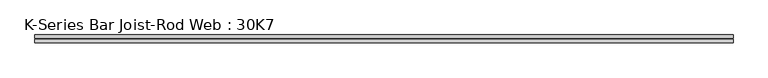
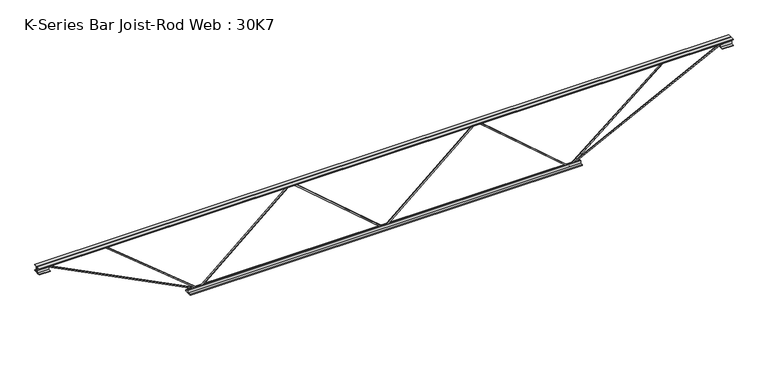
"""IFC4 building model written with IfcOpenShell, lengths in millimetres: beam geometry, K-Series Bar Joist-Rod Web : 30K7."""

import ifcopenshell
import ifcopenshell.guid

model = None  # the IFC model being written
_history = None  # IfcOwnerHistory: only IFC2X3 demands one
_inside = {}  # id of a spatial element -> (the spatial element, [elements in it])
_under = {}  # id of a project, library or spatial element -> (it, [spatial elements below it])
_declared = {}  # id of a project -> (the project, [libraries it declares])
_typed = {}  # id of a type object -> (the type object, [elements of that type])
_made_of = {}  # id of a material, layer set ... -> (it, [elements and type objects made of it])


def new_model(schema):
    """Start an empty IFC model of exactly this schema.

    Asked for "IFC4X3", IfcOpenShell would pick the latest addendum, in which some entities
    have other attributes; the version numbers below select the first issue.
    IFC2X3 requires an IfcOwnerHistory on every rooted entity: one is made here for all.
    """
    global model, _history
    if schema == "IFC4X3":
        model = ifcopenshell.file(schema_version=(4, 3, 0, 0))
    else:
        model = ifcopenshell.file(schema=schema)
    _inside.clear()
    _under.clear()
    _declared.clear()
    _typed.clear()
    _made_of.clear()
    _history = None
    if model.schema == "IFC2X3":
        org = make("IfcOrganization", Name="unknown")
        user = make(
            "IfcPersonAndOrganization",
            ThePerson=make("IfcPerson", FamilyName="unknown"),
            TheOrganization=org,
        )
        app = make(
            "IfcApplication",
            ApplicationDeveloper=org,
            Version="unknown",
            ApplicationFullName="unknown",
            ApplicationIdentifier="unknown",
        )
        _history = make(
            "IfcOwnerHistory",
            OwningUser=user,
            OwningApplication=app,
            ChangeAction="ADDED",
            CreationDate=0,
        )
    return model


def make(cls, **values):
    """One entity of the class cls with the attributes given. An attribute that is None is left unset."""
    return model.create_entity(
        cls, **{name: value for name, value in values.items() if value is not None}
    )


def rooted(cls, **values):
    """An entity with a GlobalId (a new one), such as an element, a storey or a relation."""
    return make(cls, GlobalId=ifcopenshell.guid.new(), OwnerHistory=_history, **values)


def si_unit(unit_type, name, prefix=None):
    """IfcSIUnit, for example si_unit("LENGTHUNIT", "METRE", prefix="MILLI")."""
    return make("IfcSIUnit", UnitType=unit_type, Prefix=prefix, Name=name)


def assignment(units):
    """IfcUnitAssignment: the units of a project."""
    return None if units is None else make("IfcUnitAssignment", Units=units)


def point(xyz):
    """IfcCartesianPoint."""
    return None if xyz is None else make("IfcCartesianPoint", Coordinates=xyz)


def direction(xyz):
    """IfcDirection."""
    return None if xyz is None else make("IfcDirection", DirectionRatios=xyz)


def frame(location, z_axis=None, x_axis=None):
    """IfcAxis2Placement3D, a coordinate frame: its origin and axes. An axis left out is left unset."""
    return make(
        "IfcAxis2Placement3D",
        Location=point(location),
        Axis=direction(z_axis),
        RefDirection=direction(x_axis),
    )


def origin():
    """The frame at (0, 0, 0) with its axes left unset."""
    return frame((0.0, 0.0, 0.0))


def place(relative_to, where):
    """IfcLocalPlacement: puts the frame where relative to a parent placement (None: the world)."""
    return make(
        "IfcLocalPlacement", PlacementRelTo=relative_to, RelativePlacement=where
    )


def context(
    kind, dimensions, precision=None, world=None, true_north=None, identifier=None
):
    """IfcGeometricRepresentationContext, for example the 3D "Model" context."""
    return make(
        "IfcGeometricRepresentationContext",
        ContextIdentifier=identifier,
        ContextType=kind,
        CoordinateSpaceDimension=dimensions,
        Precision=precision,
        WorldCoordinateSystem=world,
        TrueNorth=true_north,
    )


def project(units=None, contexts=None):
    """IfcProject with its units and contexts."""
    return rooted(
        "IfcProject",
        Name="project",
        RepresentationContexts=contexts,
        UnitsInContext=assignment(units),
    )


def spatial(cls, under=None, at=None, **own):
    """A site, building, storey or space (cls), placed at a placement, below another one or the project."""
    s = rooted(cls, ObjectPlacement=at, **own)
    if under is not None:
        _under.setdefault(under.id(), (under, []))[1].append(s)
    return s


def polyline(points):
    """IfcPolyline through the points."""
    return make("IfcPolyline", Points=[point(p) for p in points])


def outline(outer, holes=None, kind="AREA"):
    """IfcArbitraryClosedProfileDef: a profile drawn as a closed curve; with holes, ...WithVoids."""
    if holes is None:
        return make("IfcArbitraryClosedProfileDef", ProfileType=kind, OuterCurve=outer)
    return make(
        "IfcArbitraryProfileDefWithVoids",
        ProfileType=kind,
        OuterCurve=outer,
        InnerCurves=holes,
    )


def extrude(swept, where, along, depth):
    """IfcExtrudedAreaSolid: the profile swept, set in the frame where, extruded along a direction by depth."""
    return make(
        "IfcExtrudedAreaSolid",
        SweptArea=swept,
        Position=where,
        ExtrudedDirection=direction(along),
        Depth=depth,
    )


def shape(context_of_items, identifier, shape_type, items):
    """IfcShapeRepresentation: the items that make up one representation, for example the "Body"."""
    return make(
        "IfcShapeRepresentation",
        ContextOfItems=context_of_items,
        RepresentationIdentifier=identifier,
        RepresentationType=shape_type,
        Items=items,
    )


def source(mapping_origin, context_of_items, identifier, shape_type, items):
    """IfcRepresentationMap: a shape defined once, which mapped items show again and again."""
    return make(
        "IfcRepresentationMap",
        MappingOrigin=mapping_origin,
        MappedRepresentation=shape(context_of_items, identifier, shape_type, items),
    )


def transform(
    local_origin,
    x_axis=None,
    y_axis=None,
    z_axis=None,
    scale=None,
    scale2=None,
    scale3=None,
    uniform=True,
):
    """IfcCartesianTransformationOperator3D, or its non-uniform kind. x_axis, y_axis, z_axis: its Axis1, 2, 3."""
    if uniform:
        return make(
            "IfcCartesianTransformationOperator3D",
            Axis1=direction(x_axis),
            Axis2=direction(y_axis),
            LocalOrigin=point(local_origin),
            Scale=scale,
            Axis3=direction(z_axis),
        )
    return make(
        "IfcCartesianTransformationOperator3DnonUniform",
        Axis1=direction(x_axis),
        Axis2=direction(y_axis),
        LocalOrigin=point(local_origin),
        Scale=scale,
        Axis3=direction(z_axis),
        Scale2=scale2,
        Scale3=scale3,
    )


def mapped(mapping_source, mapping_target):
    """IfcMappedItem: shows the shape of a source again, moved by a transform."""
    return make(
        "IfcMappedItem", MappingSource=mapping_source, MappingTarget=mapping_target
    )


def made_of(thing, what):
    """Note that an element or type object is made of a material, layer set ...; save() writes the relation."""
    if what is not None:
        _made_of.setdefault(what.id(), (what, []))[1].append(thing)
    return thing


def element(
    cls,
    number,
    at=None,
    inside=None,
    cuts=None,
    type_object=None,
    material=None,
    context=None,
    identifier="Body",
    shape_type=None,
    held_by="IfcProductDefinitionShape",
    body=None,
    shapes=None,
    **own,
):
    """One element of the class cls, such as IfcWall. Its Tag is "e" and its number.

    at: its placement. inside: the storey or other place that contains it. cuts: it is an
    opening in that element (IfcRelVoidsElement). A single representation is given by context,
    identifier, shape_type and body (its items); several are given by shapes. held_by: the class
    of the entity that holds the representations. save() writes the other relations.
    """
    e = rooted(cls, Tag="e%d" % number, ObjectPlacement=at, **own)
    if body is not None:
        shapes = [shape(context, identifier, shape_type, body)]
    if shapes is not None:
        e.Representation = make(held_by, Representations=shapes)
    if inside is not None:
        _inside.setdefault(inside.id(), (inside, []))[1].append(e)
    if cuts is not None:
        rooted(
            "IfcRelVoidsElement", RelatingBuildingElement=cuts, RelatedOpeningElement=e
        )
    if type_object is not None:
        _typed.setdefault(type_object.id(), (type_object, []))[1].append(e)
    return made_of(e, material)


def aggregate(whole, parts):
    """IfcRelAggregates: a whole, such as a stair, and the parts it consists of."""
    return rooted("IfcRelAggregates", RelatingObject=whole, RelatedObjects=parts)


def save(model, path):
    """Write the relations noted so far, then the file.

    IfcRelAggregates (storeys below a building ...), IfcRelContainedInSpatialStructure (elements
    in a storey), IfcRelDefinesByType, IfcRelAssociatesMaterial and IfcRelDeclares: one each for
    every whole, place, type object, material and project.
    """
    for whole, parts in _under.values():
        aggregate(whole, parts)
    for where, things in _inside.values():
        rooted(
            "IfcRelContainedInSpatialStructure",
            RelatedElements=things,
            RelatingStructure=where,
        )
    for kind, things in _typed.values():
        rooted("IfcRelDefinesByType", RelatedObjects=things, RelatingType=kind)
    for what, things in _made_of.values():
        rooted("IfcRelAssociatesMaterial", RelatedObjects=things, RelatingMaterial=what)
    for by, libraries in _declared.values():
        rooted("IfcRelDeclares", RelatingContext=by, RelatedDefinitions=libraries)
    model.write(path)


def k_series_bar_joist_rod_web_30k7_a2a009a7(model_context):
    return source(origin(), model_context, "Body", "SweptSolid", [
        extrude(outline(polyline([(-379.4125, 0.0), (-379.4125, 4.9447087), (369.8875, 873.9560434), (369.8875, 876.766626), (-379.4125, 1745.7779607), (-379.4125, 1750.7226694), (-369.8875, 1750.7226694), (-369.8875, 1749.3173781), (379.4125, 880.3060434), (379.4125, 870.416626), (-369.8875, 1.4052913), (-369.8875, 0.0), (-379.4125, 0.0)])), frame((0.0, -4.7625, 0.0), z_axis=(0.0, 1.0, 0.0), x_axis=(0.0, 0.0, 1.0)), (0.0, 0.0, 1.0), 9.525),
        extrude(outline(polyline([(-379.4125, -1750.7226694), (-379.4125, -1745.7779607), (369.8875, -876.766626), (369.8875, -873.9560434), (-379.4125, -4.9447087), (-379.4125, 0.0), (-369.8875, 0.0), (-369.8875, -1.4052913), (379.4125, -870.416626), (379.4125, -880.3060434), (-369.8875, -1749.3173781), (-369.8875, -1750.7226694), (-379.4125, -1750.7226694)])), frame((0.0, -4.7625, 0.0), z_axis=(0.0, 1.0, 0.0), x_axis=(0.0, 0.0, 1.0)), (0.0, 0.0, 1.0), 9.525),
        extrude(outline(polyline([(-4.7625, 381.0), (-4.7625, 349.25), (-11.1125, 349.25), (-11.1125, 374.65), (-36.5125, 374.65), (-36.5125, 381.0), (-4.7625, 381.0)])), frame((-3274.7226694, 0.0, 0.0), z_axis=(1.0, 0.0, 0.0), x_axis=(0.0, 1.0, 0.0)), (0.0, 0.0, 1.0), 6549.4453387),
        extrude(outline(polyline([(4.7625, 381.0), (36.5125, 381.0), (36.5125, 374.65), (11.1125, 374.65), (11.1125, 349.25), (4.7625, 349.25), (4.7625, 381.0)])), frame((-3274.7226694, 0.0, 0.0), z_axis=(1.0, 0.0, 0.0), x_axis=(0.0, 1.0, 0.0)), (0.0, 0.0, 1.0), 6549.4453387),
        extrude(outline(polyline([(4.7625, 317.5), (4.7625, 349.25), (11.1125, 349.25), (11.1125, 323.85), (36.5125, 323.85), (36.5125, 317.5), (4.7625, 317.5)])), frame((-3274.7226694, 0.0, 0.0), z_axis=(1.0, 0.0, 0.0), x_axis=(0.0, 1.0, 0.0)), (0.0, 0.0, 1.0), 101.6),
        extrude(outline(polyline([(-36.5125, 317.5), (-36.5125, 323.85), (-11.1125, 323.85), (-11.1125, 349.25), (-4.7625, 349.25), (-4.7625, 317.5), (-36.5125, 317.5)])), frame((-3274.7226694, 0.0, 0.0), z_axis=(1.0, 0.0, 0.0), x_axis=(0.0, 1.0, 0.0)), (0.0, 0.0, 1.0), 101.6),
        extrude(outline(polyline([(-4.7625, 317.5), (-36.5125, 317.5), (-36.5125, 323.85), (-11.1125, 323.85), (-11.1125, 349.25), (-4.7625, 349.25), (-4.7625, 317.5)])), frame((3173.1226694, 0.0, 0.0), z_axis=(1.0, 0.0, 0.0), x_axis=(0.0, 1.0, 0.0)), (0.0, 0.0, 1.0), 101.6),
        extrude(outline(polyline([(4.7625, 317.5), (4.7625, 349.25), (11.1125, 349.25), (11.1125, 323.85), (36.5125, 323.85), (36.5125, 317.5), (4.7625, 317.5)])), frame((3173.1226694, 0.0, 0.0), z_axis=(1.0, 0.0, 0.0), x_axis=(0.0, 1.0, 0.0)), (0.0, 0.0, 1.0), 101.6),
        extrude(outline(polyline([(-4.7625, -381.0), (-36.5125, -381.0), (-36.5125, -374.65), (-11.1125, -374.65), (-11.1125, -349.25), (-4.7625, -349.25), (-4.7625, -381.0)])), frame((-1852.3226694, 0.0, 0.0), z_axis=(1.0, 0.0, 0.0), x_axis=(0.0, 1.0, 0.0)), (0.0, 0.0, 1.0), 3704.6453387),
        extrude(outline(polyline([(4.7625, -381.0), (4.7625, -349.25), (11.1125, -349.25), (11.1125, -374.65), (36.5125, -374.65), (36.5125, -381.0), (4.7625, -381.0)])), frame((-1852.3226694, 0.0, 0.0), z_axis=(1.0, 0.0, 0.0), x_axis=(0.0, 1.0, 0.0)), (0.0, 0.0, 1.0), 3704.6453387),
        extrude(outline(polyline([(0.0, 9.525), (1596.011582, 9.525), (1596.011582, 0.0), (0.0, 0.0), (0.0, 9.525)])), frame((-3175.2827876, -4.7625, 345.0055571), z_axis=(0.4535681370653387, 0.0, 0.8912216026550738), x_axis=(0.8912216026550738, 0.0, -0.4535681370653387)), (0.0, 0.0, 1.0), 9.525),
        extrude(outline(polyline([(0.0, 9.525), (1135.9087447, 9.525), (1135.9087447, 0.0), (0.0, 0.0), (0.0, 9.525)])), frame((-2629.1190839, -4.7625, 345.5798915), z_axis=(0.6372871090076988, 0.0, 0.7706264598964984), x_axis=(0.7706264598964984, 0.0, -0.6372871090076988)), (0.0, 0.0, 1.0), 9.525),
        extrude(outline(polyline([(0.0, 9.525), (1596.011582, 9.525), (1596.011582, 0.0), (0.0, 0.0), (0.0, 9.525)])), frame((3175.2827876, 4.7625, 345.0055571), z_axis=(-0.4535681370653314, 0.0, 0.8912216026550775), x_axis=(-0.8912216026550775, 0.0, -0.4535681370653314)), (0.0, 0.0, 1.0), 9.525),
        extrude(outline(polyline([(0.0, 9.525), (1135.9087447, 9.525), (1135.9087447, 0.0), (0.0, 0.0), (0.0, 9.525)])), frame((2629.1190839, 4.7625, 345.5798915), z_axis=(-0.6372871090076965, 0.0, 0.7706264598965005), x_axis=(-0.7706264598965005, 0.0, -0.6372871090076965)), (0.0, 0.0, 1.0), 9.525),
    ])


if __name__ == "__main__":
    model = new_model("IFC4")
    model_context = context("Model", 3, world=origin())
    ifc_project = project(units=[si_unit("LENGTHUNIT", "METRE", prefix="MILLI")], contexts=[model_context])
    site = spatial("IfcSite", under=ifc_project)
    building = spatial("IfcBuilding", under=site)
    placement = place(None, origin())
    k_series_bar_joist_rod_web_30k7_shape = k_series_bar_joist_rod_web_30k7_a2a009a7(model_context)
    element("IfcBeam", 1, ObjectType="K-Series Bar Joist-Rod Web : 30K7", at=placement, inside=building, context=model_context, shape_type="MappedRepresentation", body=[
        mapped(k_series_bar_joist_rod_web_30k7_shape, transform((0.0, 0.0, 0.0), x_axis=(1.0, 0.0, 0.0), y_axis=(0.0, 1.0, 0.0), z_axis=(0.0, 0.0, 1.0))),
    ])
    save(model, "model.ifc")
